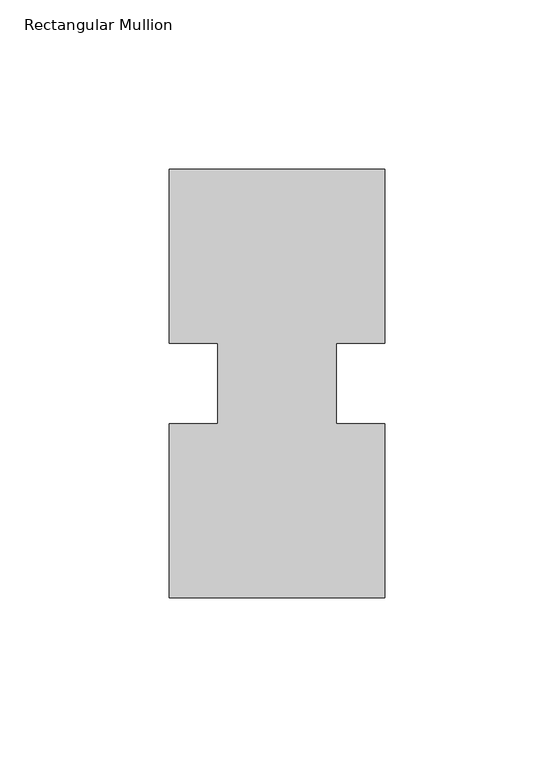
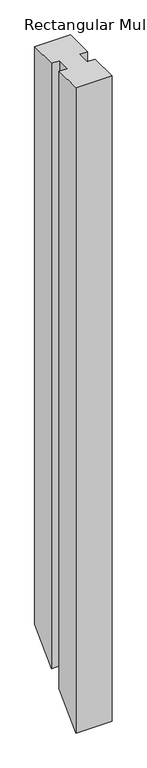
"""IFC4 building model written with IfcOpenShell, lengths in millimetres: member geometry, Rectangular Mullion."""

from ifc_helpers import new_model, si_unit, origin, place, context, project, spatial, faceted_brep, source, transform, mapped, element, save


def rectangular_mullion_45b42d2c(model_context):
    return source(origin(), model_context, "Body", "Brep", [
        faceted_brep([(0.0, 0.26035, 0.0), (0.0, 51.60645, 0.0), (-14.2748, 51.60645, 0.0), (-14.2748, 75.40625, 0.0), (0.0, 75.40625, 0.0), (0.0, 126.75235, 0.0), (-63.5, 126.75235, 0.0), (-63.5, 75.40625, 0.0), (-49.2125, 75.40625, 0.0), (-49.2125, 51.60645, 0.0), (-63.5, 51.60645, 0.0), (-63.5, 0.26035, 0.0), (0.0, 0.26035, -1206.246), (0.0, 51.60645, -1154.8999), (-14.2748, 51.60645, -1154.8999), (-14.2748, 75.40625, -1131.1001), (0.0, 75.40625, -1131.1001), (0.0, 126.75235, -1079.754), (-63.5, 126.75235, -1079.754), (-63.5, 75.40625, -1131.1001), (-49.2125, 75.40625, -1131.1001), (-49.2125, 51.60645, -1154.8999), (-63.5, 51.60645, -1154.8999), (-63.5, 0.26035, -1206.246)], [[[0, 1, 2, 3, 4, 5, 6, 7, 8, 9, 10, 11]], [[1, 0, 12, 13]], [[2, 1, 13, 14]], [[3, 2, 14, 15]], [[4, 3, 15, 16]], [[5, 4, 16, 17]], [[6, 5, 17, 18]], [[7, 6, 18, 19]], [[8, 7, 19, 20]], [[9, 8, 20, 21]], [[10, 9, 21, 22]], [[11, 10, 22, 23]], [[0, 11, 23, 12]], [[12, 23, 22, 21, 20, 19, 18, 17, 16, 15, 14, 13]]]),
    ])


if __name__ == "__main__":
    model = new_model("IFC4")
    model_context = context("Model", 3, world=origin())
    ifc_project = project(units=[si_unit("LENGTHUNIT", "METRE", prefix="MILLI")], contexts=[model_context])
    site = spatial("IfcSite", under=ifc_project)
    building = spatial("IfcBuilding", under=site)
    placement = place(None, origin())
    rectangular_mullion_shape = rectangular_mullion_45b42d2c(model_context)
    element("IfcMember", 1, ObjectType="Rectangular Mullion", at=placement, inside=building, context=model_context, shape_type="MappedRepresentation", body=[
        mapped(rectangular_mullion_shape, transform((0.0, 0.0, 0.0), x_axis=(1.0, 0.0, 0.0), y_axis=(0.0, 1.0, 0.0), z_axis=(0.0, 0.0, 1.0))),
    ])
    save(model, "model.ifc")
